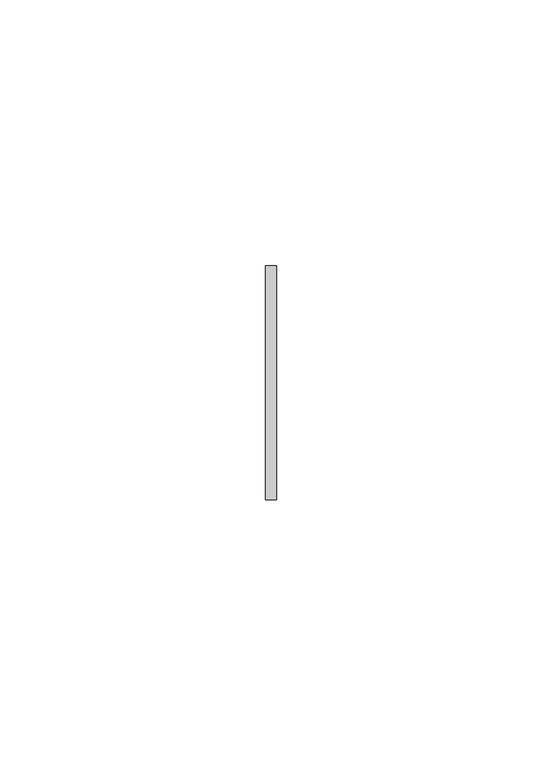
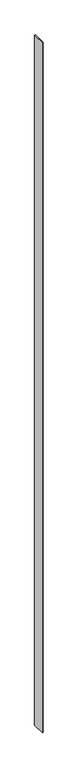
"""IFC4 building model written with IfcOpenShell, lengths in millimetres: member geometry."""

from ifc_helpers import new_model, si_unit, frame, origin, place, context, project, spatial, polyline, outline, extrude, source, transform, mapped, element, save


def member_af85f0ec(model_context):
    return source(origin(), model_context, "Body", "SweptSolid", [
        extrude(outline(polyline([(1.0, 22.0), (1.0, -22.0), (-1.0, -22.0), (-1.0, 22.0), (1.0, 22.0)])), frame((0.0, 0.0, -2441.0), z_axis=(0.0, 0.0, 1.0), x_axis=(1.0, 0.0, 0.0)), (0.0, 0.0, 1.0), 2441.0),
    ])


if __name__ == "__main__":
    model = new_model("IFC4")
    model_context = context("Model", 3, world=origin())
    ifc_project = project(units=[si_unit("LENGTHUNIT", "METRE", prefix="MILLI")], contexts=[model_context])
    site = spatial("IfcSite", under=ifc_project)
    building = spatial("IfcBuilding", under=site)
    placement = place(None, origin())
    member_shape = member_af85f0ec(model_context)
    element("IfcMember", 1, at=placement, inside=building, context=model_context, shape_type="MappedRepresentation", body=[
        mapped(member_shape, transform((0.0, 0.0, 0.0), x_axis=(1.0, 0.0, 0.0), y_axis=(0.0, 1.0, 0.0), z_axis=(0.0, 0.0, 1.0))),
    ])
    save(model, "model.ifc")
